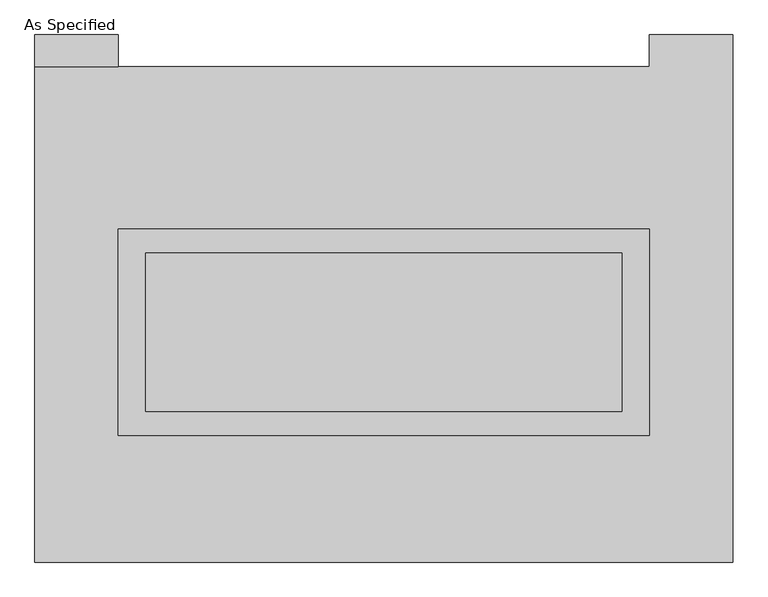
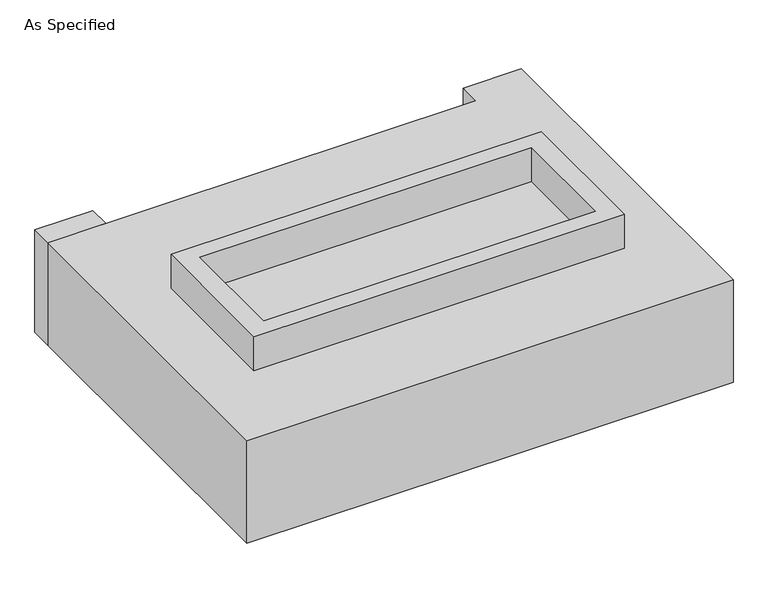
"""IFC4 building model written with IfcOpenShell, lengths in millimetres: proxy geometry, As Specified."""

from ifc_helpers import new_model, si_unit, frame, origin, place, context, project, spatial, polyline, outline, extrude, source, transform, mapped, element, save


def as_specified_95fe052c(model_context):
    return source(origin(), model_context, "Body", "SweptSolid", [
        extrude(outline(polyline([(850.9, 273.05), (850.9, -387.35), (-850.9, -387.35), (-850.9, 273.05), (850.9, 273.05)]), holes=[polyline([(762.0, 196.85), (-762.0, 196.85), (-762.0, -311.15), (762.0, -311.15), (762.0, 196.85)])]), frame((0.0, 0.0, -688.975), z_axis=(0.0, 0.0, 1.0), x_axis=(1.0, 0.0, 0.0)), (0.0, 0.0, 1.0), 165.1),
        extrude(outline(polyline([(850.9, 273.05), (850.9, -387.35), (-850.9, -387.35), (-850.9, 273.05), (850.9, 273.05)]), holes=[polyline([(762.0, 196.85), (-762.0, 196.85), (-762.0, -311.15), (762.0, -311.15), (762.0, 196.85)])]), frame((0.0, 0.0, -25.4), z_axis=(0.0, 0.0, 1.0), x_axis=(1.0, 0.0, 0.0)), (0.0, 0.0, 1.0), 165.1),
        extrude(outline(polyline([(-850.9, 793.75), (-1117.6, 793.75), (-1117.6, 895.35), (-850.9, 895.35), (-850.9, 793.75)])), frame((0.0, 0.0, -523.875), z_axis=(0.0, 0.0, 1.0), x_axis=(1.0, 0.0, 0.0)), (0.0, 0.0, 1.0), 498.475),
        extrude(outline(polyline([(762.0, 196.85), (762.0, -311.15), (-762.0, -311.15), (-762.0, 196.85), (762.0, 196.85)])), frame((0.0, 0.0, -523.875), z_axis=(0.0, 0.0, 1.0), x_axis=(1.0, 0.0, 0.0)), (0.0, 0.0, 1.0), 4.9609375),
        extrude(outline(polyline([(762.0, 196.85), (762.0, -311.15), (-762.0, -311.15), (-762.0, 196.85), (762.0, 196.85)])), frame((0.0, 0.0, -30.3609375), z_axis=(0.0, 0.0, 1.0), x_axis=(1.0, 0.0, 0.0)), (0.0, 0.0, 1.0), 4.9609375),
        extrude(outline(polyline([(1117.6, -793.75), (-1117.6, -793.75), (-1117.6, 793.75), (850.9, 793.75), (850.9, 895.35), (1117.6, 895.35), (1117.6, -793.75)]), holes=[polyline([(-850.9, 273.05), (-850.9, -387.35), (850.9, -387.35), (850.9, 273.05), (-850.9, 273.05)])]), frame((0.0, 0.0, -523.875), z_axis=(0.0, 0.0, 1.0), x_axis=(1.0, 0.0, 0.0)), (0.0, 0.0, 1.0), 498.475),
    ])


if __name__ == "__main__":
    model = new_model("IFC4")
    model_context = context("Model", 3, world=origin())
    ifc_project = project(units=[si_unit("LENGTHUNIT", "METRE", prefix="MILLI")], contexts=[model_context])
    site = spatial("IfcSite", under=ifc_project)
    building = spatial("IfcBuilding", under=site)
    placement = place(None, origin())
    as_specified_shape = as_specified_95fe052c(model_context)
    element("IfcBuildingElementProxy", 1, Name="As Specified", ObjectType="As Specified", at=placement, inside=building, context=model_context, shape_type="MappedRepresentation", body=[
        mapped(as_specified_shape, transform((0.0, 0.0, 0.0), x_axis=(1.0, 0.0, 0.0), y_axis=(0.0, 1.0, 0.0), z_axis=(0.0, 0.0, 1.0))),
    ])
    save(model, "model.ifc")
